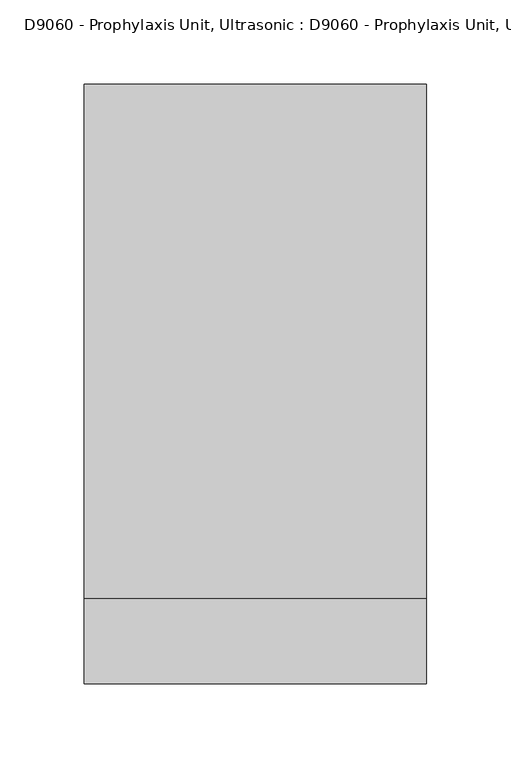
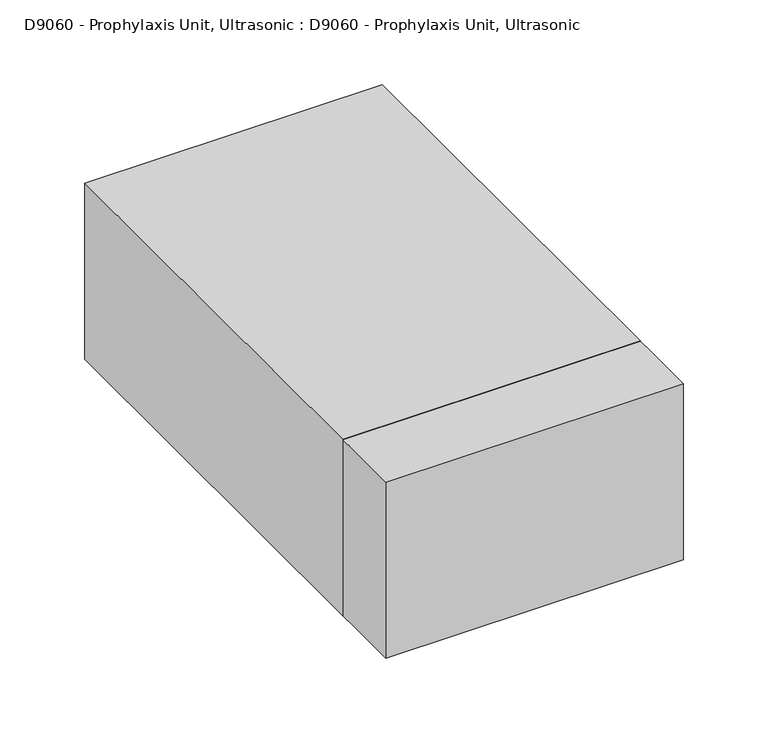
"""IFC4 building model written with IfcOpenShell, lengths in millimetres: proxy geometry, D9060 - Prophylaxis Unit, Ultrasonic : D9060 - Prophylaxis Unit, Ultrasonic."""

from ifc_helpers import new_model, si_unit, point, frame, frame_2d, origin, origin_with_axes, place, context, project, spatial, polyline, circle_curve, trimmed, segment, composite_curve, outline, extrude, source, transform, mapped, element, save
from ifc_brep_helpers import plane_surface, revolved_surface, advanced_brep


def d9060_prophylaxis_unit_ultrasonic_d9060_prophylaxis_unit_4aaabe70(model_context):
    return source(origin(), model_context, "Body", "SolidModel", [
        advanced_brep(
        [(101.6, 177.8, 127.0), (-101.6, 177.8, 127.0), (-101.6, -127.0, 127.0), (101.6, -127.0, 127.0), (101.6, 177.8, 0.0), (101.6, -127.0, 0.0), (-101.6, -127.0, 0.0), (-101.6, 177.8, 0.0), (-33.3504232, -127.0, 26.6792148), (-46.0504232, -127.0, 26.6792148), (46.0504232, -127.0, 26.6792148), (33.3504232, -127.0, 26.6792148), (-46.0504232, -113.1251573, 26.6792148), (-33.3504232, -113.1251573, 26.6792148), (33.3504232, -113.1251573, 26.6792148), (46.0504232, -113.1251573, 26.6792148)],
        [
            (0, 1),
            (1, 2),
            (2, 3),
            (3, 0),
            (4, 5),
            (5, 6),
            (6, 7),
            (7, 4),
            (0, 4),
            (7, 1),
            (6, 2),
            (5, 3),
            (8, 9, circle_curve(frame((-39.7004232, -127.0, 26.6792148), z_axis=(0.0, 1.0, 0.0), x_axis=(1.0, 0.0, 0.0)), 6.35)),
            (9, 8, circle_curve(frame((-39.7004232, -127.0, 26.6792148), z_axis=(0.0, 1.0, 0.0), x_axis=(1.0, 0.0, 0.0)), 6.35)),
            (10, 11, circle_curve(frame((39.7004232, -127.0, 26.6792148), z_axis=(0.0, 1.0, 0.0), x_axis=(1.0, 0.0, 0.0)), 6.35)),
            (11, 10, circle_curve(frame((39.7004232, -127.0, 26.6792148), z_axis=(0.0, 1.0, 0.0), x_axis=(1.0, 0.0, 0.0)), 6.35)),
            (12, 13, circle_curve(frame((-39.7004232, -113.1251573, 26.6792148), z_axis=(0.0, -1.0, 0.0), x_axis=(1.0, 0.0, 0.0)), 6.35)),
            (13, 12, circle_curve(frame((-39.7004232, -113.1251573, 26.6792148), z_axis=(0.0, -1.0, 0.0), x_axis=(1.0, 0.0, 0.0)), 6.35)),
            (14, 15, circle_curve(frame((39.7004232, -113.1251573, 26.6792148), z_axis=(0.0, -1.0, 0.0), x_axis=(1.0, 0.0, 0.0)), 6.35)),
            (15, 14, circle_curve(frame((39.7004232, -113.1251573, 26.6792148), z_axis=(0.0, -1.0, 0.0), x_axis=(1.0, 0.0, 0.0)), 6.35)),
            (12, 9),
            (8, 13),
            (14, 11),
            (10, 15),
        ],
        [
            plane_surface(frame((-101.6, 177.8, 127.0), z_axis=(0.0, 0.0, 1.0), x_axis=(-1.0, 0.0, 0.0))),
            plane_surface(frame((-101.6, 177.8, 0.0), z_axis=(0.0, 0.0, -1.0), x_axis=(1.0, 0.0, 0.0))),
            plane_surface(frame((101.6, 177.8, 127.0), z_axis=(0.0, 1.0, 0.0), x_axis=(0.0, 0.0, -1.0))),
            plane_surface(frame((-101.6, 177.8, 127.0), z_axis=(-1.0, 0.0, 0.0), x_axis=(0.0, 0.0, -1.0))),
            plane_surface(frame((-101.6, -127.0, 127.0), z_axis=(0.0, -1.0, 0.0), x_axis=(0.0, 0.0, -1.0))),
            plane_surface(frame((101.6, -127.0, 127.0), z_axis=(1.0, 0.0, 0.0), x_axis=(0.0, 0.0, -1.0))),
            plane_surface(frame((-33.3504232, -113.1251573, 26.6792148), z_axis=(0.0, -1.0, 0.0), x_axis=(0.0, 0.0, -1.0))),
            revolved_surface(polyline([(-33.3504232, -127.0, 26.6792148), (-33.3504232, -113.1251573, 26.6792148)]), (-39.7004232, -113.1251573, 26.6792148), (0.0, -1.0, 0.0)),
            revolved_surface(polyline([(46.050423200000004, -126.99999999999999, 26.6792148), (46.050423200000004, -113.1251573, 26.6792148)]), (39.7004232, 13.8748427, 26.6792148), (0.0, -1.0, 0.0)),
        ],
        [
            (0, [[1, 2, 3, 4]]),
            (1, [[5, 6, 7, 8]]),
            (2, [[-1, 9, -8, 10]]),
            (3, [[-2, -10, -7, 11]]),
            (4, [[-3, -11, -6, 12], [13, 14], [15, 16]]),
            (5, [[-4, -12, -5, -9]]),
            (6, [[17, 18]]),
            (6, [[19, 20]]),
            (7, [[-17, 21, -13, 22]]),
            (7, [[-18, -22, -14, -21]]),
            (8, [[-19, 23, -15, 24]]),
            (8, [[-20, -24, -16, -23]]),
        ],
    ),
        extrude(outline(composite_curve([segment(trimmed(circle_curve(frame_2d((60.9232765, -73.6139431)), 12.7), [point((60.9232765, -86.3139431))], [point((60.9232765, -60.9139431))], False, "CARTESIAN"), True, "CONTINUOUS"), segment(trimmed(circle_curve(frame_2d((60.9232765, -73.6139431)), 12.7), [point((60.9232765, -60.9139431))], [point((60.9232765, -86.3139431))], False, "CARTESIAN"), True, "CONTINUOUS")], self_intersect=False)), frame((0.0, -152.4, 0.0), z_axis=(0.0, 1.0, 0.0), x_axis=(0.0, 0.0, 1.0)), (0.0, 0.0, 1.0), 25.4),
        extrude(outline(composite_curve([segment(trimmed(circle_curve(frame_2d((60.9232765, 73.6139431)), 12.7), [point((60.9232765, 60.9139431))], [point((60.9232765, 86.3139431))], False, "CARTESIAN"), True, "CONTINUOUS"), segment(trimmed(circle_curve(frame_2d((60.9232765, 73.6139431)), 12.7), [point((60.9232765, 86.3139431))], [point((60.9232765, 60.9139431))], False, "CARTESIAN"), True, "CONTINUOUS")], self_intersect=False)), frame((0.0, -152.4, 0.0), z_axis=(0.0, 1.0, 0.0), x_axis=(0.0, 0.0, 1.0)), (0.0, 0.0, 1.0), 25.4),
        extrude(outline(composite_curve([segment(trimmed(circle_curve(frame_2d((60.9232765, 0.0)), 12.7), [point((60.9232765, -12.7))], [point((60.9232765, 12.7))], False, "CARTESIAN"), True, "CONTINUOUS"), segment(trimmed(circle_curve(frame_2d((60.9232765, 0.0)), 12.7), [point((60.9232765, 12.7))], [point((60.9232765, -12.7))], False, "CARTESIAN"), True, "CONTINUOUS")], self_intersect=False)), frame((0.0, -152.4, 0.0), z_axis=(0.0, 1.0, 0.0), x_axis=(0.0, 0.0, 1.0)), (0.0, 0.0, 1.0), 25.4),
        extrude(outline(polyline([(-101.6, 177.8), (101.6, 177.8), (101.6, -177.8), (-101.6, -177.8), (-101.6, 0.0), (-101.6, 177.8)])), origin_with_axes(), (0.0, 0.0, 1.0), 127.0),
    ])


if __name__ == "__main__":
    model = new_model("IFC4")
    model_context = context("Model", 3, world=origin())
    ifc_project = project(units=[si_unit("LENGTHUNIT", "METRE", prefix="MILLI")], contexts=[model_context])
    site = spatial("IfcSite", under=ifc_project)
    building = spatial("IfcBuilding", under=site)
    placement = place(None, origin())
    d9060_prophylaxis_unit_ultrasonic_d9060_prophylaxis_unit_shape = d9060_prophylaxis_unit_ultrasonic_d9060_prophylaxis_unit_4aaabe70(model_context)
    element("IfcBuildingElementProxy", 1, Name="D9060 - Prophylaxis Unit, Ultrasonic : D9060 - Prophylaxis Unit, Ultrasonic", ObjectType="D9060 - Prophylaxis Unit, Ultrasonic : D9060 - Prophylaxis Unit, Ultrasonic", at=placement, inside=building, context=model_context, shape_type="MappedRepresentation", body=[
        mapped(d9060_prophylaxis_unit_ultrasonic_d9060_prophylaxis_unit_shape, transform((0.0, 0.0, 0.0), x_axis=(1.0, 0.0, 0.0), y_axis=(0.0, 1.0, 0.0), z_axis=(0.0, 0.0, 1.0))),
    ])
    save(model, "model.ifc")
